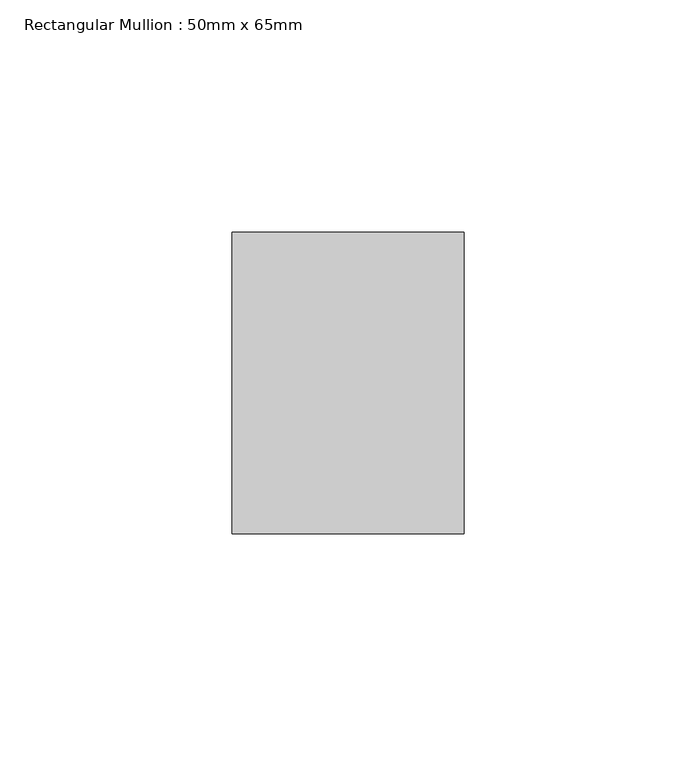
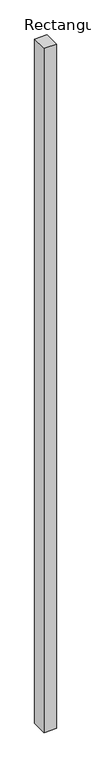
"""IFC4 building model written with IfcOpenShell, lengths in millimetres: member geometry, Rectangular Mullion : 50mm x 65mm."""

from ifc_helpers import new_model, si_unit, frame, origin, place, context, project, spatial, polyline, outline, extrude, source, transform, mapped, element, save


def rectangular_mullion_50mm_x_65mm_cc0ef14c(model_context):
    return source(origin(), model_context, "Body", "SweptSolid", [
        extrude(outline(polyline([(25.0, 32.5), (25.0, -32.5), (-25.0, -32.5), (-25.0, 32.5), (25.0, 32.5)])), frame((0.0, 0.0, -2924.9798827), z_axis=(0.0, 0.0, 1.0), x_axis=(1.0, 0.0, 0.0)), (0.0, 0.0, 1.0), 2924.9798827),
    ])


if __name__ == "__main__":
    model = new_model("IFC4")
    model_context = context("Model", 3, world=origin())
    ifc_project = project(units=[si_unit("LENGTHUNIT", "METRE", prefix="MILLI")], contexts=[model_context])
    site = spatial("IfcSite", under=ifc_project)
    building = spatial("IfcBuilding", under=site)
    placement = place(None, origin())
    rectangular_mullion_50mm_x_65mm_shape = rectangular_mullion_50mm_x_65mm_cc0ef14c(model_context)
    element("IfcMember", 1, ObjectType="Rectangular Mullion : 50mm x 65mm", at=placement, inside=building, context=model_context, shape_type="MappedRepresentation", body=[
        mapped(rectangular_mullion_50mm_x_65mm_shape, transform((0.0, 0.0, 0.0), x_axis=(1.0, 0.0, 0.0), y_axis=(0.0, 1.0, 0.0), z_axis=(0.0, 0.0, 1.0))),
    ])
    save(model, "model.ifc")
